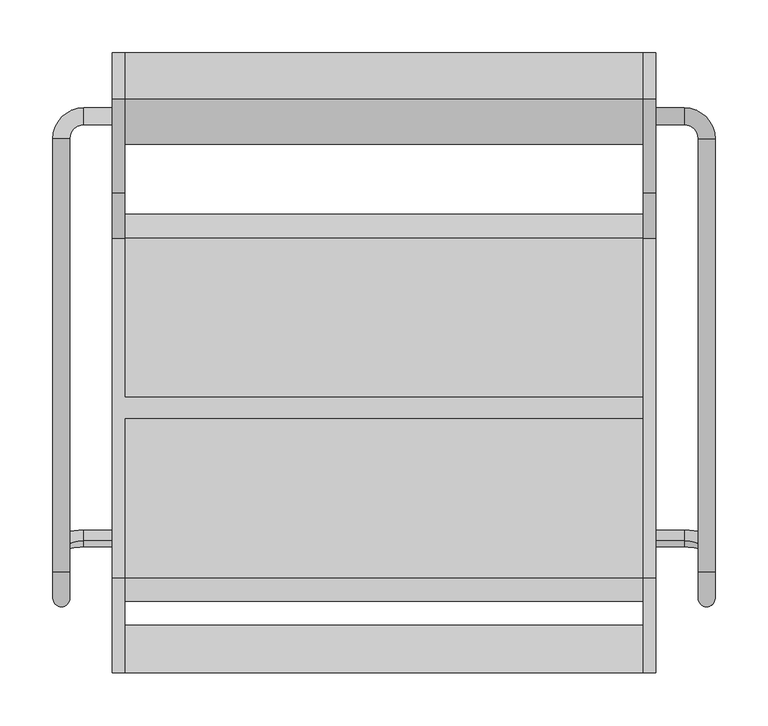
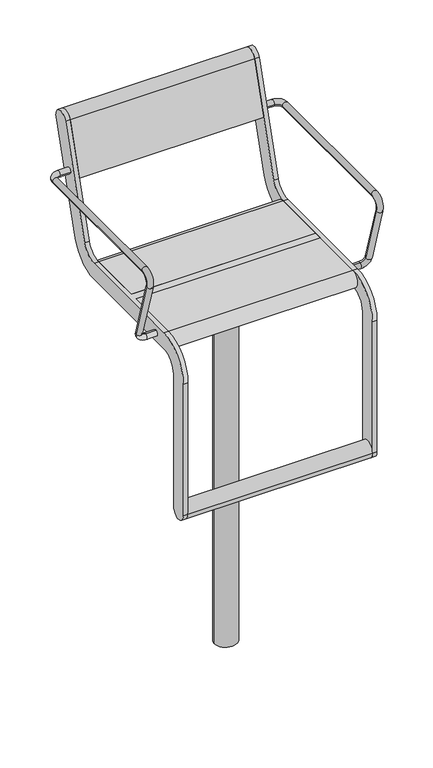
"""IFC4 building model written with IfcOpenShell, lengths in millimetres: furniture geometry."""

from ifc_helpers import new_model, si_unit, point, frame, frame_2d, origin, origin_2d, place, context, project, spatial, polyline, circle_curve, ellipse_curve, trimmed, segment, composite_curve, outline, extrude, source, transform, mapped, element, save
from ifc_brep_helpers import plane_surface, cylinder_surface, revolved_surface, advanced_brep


def furniture_77a88a3c(model_context):
    return source(origin(), model_context, "Body", "SolidModel", [
        advanced_brep(
        [(257.0, 267.0, 891.4999912), (257.0, 283.0, 891.4999912), (284.0, 267.0, 891.4999912), (284.0, 283.0, 891.4999912), (297.0, 254.0, 891.4999912), (313.0, 254.0, 891.4999912), (297.0, -155.6408049, 891.4999912), (313.0, -155.6408049, 891.4999912), (313.0, -179.5484238, 859.1906986), (297.0, -179.5484238, 859.1906986), (313.0, -130.1398058, 697.5823911), (297.0, -130.1398058, 697.5823911), (257.0, -126.3389736, 685.1504293), (257.0, -121.6610264, 669.8495532), (284.0, -121.6610264, 669.8495532), (284.0, -126.3389736, 685.1504293)],
        [
            (0, 1, circle_curve(frame((257.0, 275.0, 891.4999912), z_axis=(-1.0, 0.0, 0.0), x_axis=(0.0, 1.0, 0.0)), 8.0)),
            (1, 0, circle_curve(frame((257.0, 275.0, 891.4999912), z_axis=(-1.0, 0.0, 0.0), x_axis=(0.0, 1.0, 0.0)), 8.0)),
            (0, 2),
            (2, 3, circle_curve(frame((284.0, 275.0, 891.4999912), z_axis=(-1.0, 0.0, 0.0), x_axis=(0.0, 1.0, 0.0)), 8.0)),
            (3, 1),
            (3, 2, circle_curve(frame((284.0, 275.0, 891.4999912), z_axis=(-1.0, 0.0, 0.0), x_axis=(0.0, 1.0, 0.0)), 8.0)),
            (2, 4, circle_curve(frame((284.0, 254.0, 891.4999912), z_axis=(0.0, 0.0, -1.0), x_axis=(0.0, 1.0, 0.0)), 13.0)),
            (4, 5, circle_curve(frame((305.0, 254.0, 891.4999912), z_axis=(0.0, 1.0, 0.0), x_axis=(1.0, 0.0, 0.0)), 8.0)),
            (5, 3, circle_curve(frame((284.0, 254.0, 891.4999912), z_axis=(0.0, 0.0, 1.0), x_axis=(0.0, 1.0, 0.0)), 29.0)),
            (5, 4, circle_curve(frame((305.0, 254.0, 891.4999912), z_axis=(0.0, 1.0, 0.0), x_axis=(1.0, 0.0, 0.0)), 8.0)),
            (4, 6),
            (6, 7, circle_curve(frame((305.0, -155.6408049, 891.4999912), z_axis=(0.0, 1.0, 0.0), x_axis=(1.0, 0.0, 0.0)), 8.0)),
            (7, 5),
            (7, 6, circle_curve(frame((305.0, -155.6408049, 891.4999912), z_axis=(0.0, 1.0, 0.0), x_axis=(1.0, 0.0, 0.0)), 8.0)),
            (7, 8, circle_curve(frame((313.0, -155.6408049, 866.4999912), z_axis=(1.0, 0.0, 0.0), x_axis=(0.0, 0.0, 1.0)), 25.0)),
            (8, 9, circle_curve(frame((305.0, -179.5484238, 859.1906986), z_axis=(0.0, -0.2923717047227431, 0.9563047559630335), x_axis=(1.0, 0.0, 0.0)), 8.0)),
            (9, 6, circle_curve(frame((297.0, -155.6408049, 866.4999912), z_axis=(-1.0, 0.0, 0.0), x_axis=(0.0, 0.0, 1.0)), 25.0)),
            (9, 8, circle_curve(frame((305.0, -179.5484238, 859.1906986), z_axis=(0.0, -0.2923717047227435, 0.9563047559630334), x_axis=(1.0, 0.0, 0.0)), 8.0)),
            (8, 10),
            (10, 11, circle_curve(frame((305.0, -130.1398058, 697.5823911), z_axis=(0.0, -0.2923717047227379, 0.9563047559630351), x_axis=(1.0, 0.0, 0.0)), 8.0)),
            (11, 9),
            (11, 10, circle_curve(frame((305.0, -130.1398058, 697.5823911), z_axis=(0.0, -0.2923717047227379, 0.9563047559630351), x_axis=(1.0, 0.0, 0.0)), 8.0)),
            (12, 13, circle_curve(frame((257.0, -124.0, 677.4999912), z_axis=(-1.0, 0.0, 0.0), x_axis=(0.0, 0.2923717047227402, -0.9563047559630344)), 8.0)),
            (13, 12, circle_curve(frame((257.0, -124.0, 677.4999912), z_axis=(-1.0, 0.0, 0.0), x_axis=(0.0, 0.2923717047227402, -0.9563047559630344)), 8.0)),
            (13, 14),
            (14, 15, circle_curve(frame((284.0, -124.0, 677.4999912), z_axis=(-1.0, 0.0, 0.0), x_axis=(0.0, 0.2923717047227402, -0.9563047559630344)), 8.0)),
            (15, 12),
            (15, 14, circle_curve(frame((284.0, -124.0, 677.4999912), z_axis=(-1.0, 0.0, 0.0), x_axis=(0.0, 0.2923717047227402, -0.9563047559630344)), 8.0)),
            (14, 10, circle_curve(frame((284.0, -130.1398058, 697.5823911), z_axis=(0.0, -0.9563047559630344, -0.29237170472274027), x_axis=(0.0, 0.29237170472274027, -0.9563047559630344)), 29.0)),
            (11, 15, circle_curve(frame((284.0, -130.1398058, 697.5823911), z_axis=(0.0, 0.9563047559630344, 0.29237170472274027), x_axis=(0.0, 0.29237170472274027, -0.9563047559630344)), 13.0)),
        ],
        [
            plane_surface(frame((257.0, 275.0, -99.999782), z_axis=(-1.0, 0.0, 0.0), x_axis=(0.0, 0.0, 1.0))),
            cylinder_surface(frame((257.0, 275.0, 891.4999912), z_axis=(-1.0, 0.0, 0.0), x_axis=(0.0, 1.0, 0.0)), 8.0),
            revolved_surface(trimmed(ellipse_curve(frame((284.0, 275.0, 891.4999912), z_axis=(-1.0, 0.0, 0.0), x_axis=(0.0, 1.0, 0.0)), 8.0, 8.0), [point((284.0, 267.0, 891.4999912))], [point((284.0, 283.0, 891.4999912))], True, "CARTESIAN"), (284.0, 254.0, -99.999782), (0.0, 0.0, -1.0)),
            revolved_surface(trimmed(ellipse_curve(frame((284.0, 275.0, 891.4999912), z_axis=(-1.0, 0.0, 0.0), x_axis=(0.0, 1.0, 0.0)), 8.0, 8.0), [point((284.0, 283.0, 891.4999912))], [point((284.0, 267.0, 891.4999912))], True, "CARTESIAN"), (284.0, 254.0, -99.999782), (0.0, 0.0, -1.0)),
            cylinder_surface(frame((305.0, 254.0, 891.4999912), z_axis=(0.0, 1.0, 0.0), x_axis=(1.0, 0.0, 0.0)), 8.0),
            revolved_surface(trimmed(ellipse_curve(frame((305.0, -155.6408049, 891.4999912), z_axis=(0.0, 1.0, 0.0), x_axis=(1.0, 0.0, 0.0)), 8.0, 8.0), [point((313.0, -155.6408049, 891.4999912))], [point((297.0, -155.6408049, 891.4999912))], True, "CARTESIAN"), (0.0, -155.6408049, 866.4999912), (1.0, 0.0, 0.0)),
            revolved_surface(trimmed(ellipse_curve(frame((305.0, -155.6408049, 891.4999912), z_axis=(0.0, 1.0, 0.0), x_axis=(1.0, 0.0, 0.0)), 8.0, 8.0), [point((297.0, -155.6408049, 891.4999912))], [point((313.0, -155.6408049, 891.4999912))], True, "CARTESIAN"), (0.0, -155.6408049, 866.4999912), (1.0, 0.0, 0.0)),
            cylinder_surface(frame((305.0, -179.5484238, 859.1906986), z_axis=(0.0, -0.2923717047227379, 0.9563047559630351), x_axis=(1.0, 0.0, 0.0)), 8.0),
            plane_surface(frame((257.0, 489.469501, 865.0564398), z_axis=(-1.0, 0.0, 0.0), x_axis=(0.0, -0.9563047559630344, -0.29237170472274027))),
            cylinder_surface(frame((257.0, -124.0, 677.4999912), z_axis=(-1.0, 0.0, 0.0), x_axis=(0.0, 0.2923717047227402, -0.9563047559630344)), 8.0),
            revolved_surface(trimmed(ellipse_curve(frame((284.0, -124.0, 677.4999912), z_axis=(-1.0, 0.0, 0.0), x_axis=(0.0, 0.2923717047227402, -0.9563047559630344)), 8.0, 8.0), [point((284.0, -121.6610264, 669.8495532))], [point((284.0, -126.3389736, 685.1504293))], True, "CARTESIAN"), (284.0, 483.3296952, 885.1388397), (0.0, -0.9563047559630344, -0.29237170472274027)),
            revolved_surface(trimmed(ellipse_curve(frame((284.0, -124.0, 677.4999912), z_axis=(-1.0, 0.0, 0.0), x_axis=(0.0, 0.2923717047227402, -0.9563047559630344)), 8.0, 8.0), [point((284.0, -126.3389736, 685.1504293))], [point((284.0, -121.6610264, 669.8495532))], True, "CARTESIAN"), (284.0, 483.3296952, 885.1388397), (0.0, -0.9563047559630344, -0.29237170472274027)),
        ],
        [
            (0, [[1, 2]]),
            (1, [[-1, 3, 4, 5]]),
            (1, [[-2, -5, 6, -3]]),
            (2, [[-4, 7, 8, 9]]),
            (3, [[-6, -9, 10, -7]]),
            (4, [[11, 12, 13, -8]]),
            (4, [[-11, -10, -13, 14]]),
            (5, [[-14, 15, 16, 17]]),
            (6, [[-12, -17, 18, -15]]),
            (7, [[-16, 19, 20, 21]]),
            (7, [[-18, -21, 22, -19]]),
            (8, [[23, 24]]),
            (9, [[-24, 25, 26, 27]]),
            (9, [[-23, -27, 28, -25]]),
            (10, [[-26, 29, -22, 30]]),
            (11, [[-28, -30, -20, -29]]),
        ],
    ),
        extrude(outline(composite_curve([segment(trimmed(circle_curve(frame_2d((-228.4999475, 240.0002133)), 22.4999984), [point((-205.9999492, 240.0002133))], [point((-250.9999459, 240.0002133))], False, "CARTESIAN"), True, "CONTINUOUS"), segment(trimmed(circle_curve(frame_2d((-228.4999475, 240.0002133)), 22.4999984), [point((-250.9999459, 240.0002133))], [point((-205.9999492, 240.0002133))], False, "CARTESIAN"), True, "CONTINUOUS")], self_intersect=False)), frame((-245.0, 0.0, 0.0), z_axis=(1.0, 0.0, 0.0), x_axis=(0.0, 1.0, 0.0)), (0.0, 0.0, 1.0), 490.0),
        extrude(outline(composite_curve([segment(trimmed(circle_curve(frame_2d((312.5544541, 1013.1126327)), 22.5), [point((291.0375971, 1019.6909961))], [point((334.0713112, 1006.5342693))], False, "CARTESIAN"), True, "CONTINUOUS"), segment(polyline([(334.0713112, 1006.5342693), (246.067428, 718.6865378)]), True, "CONTINUOUS"), segment(trimmed(circle_curve(frame_2d((160.0, 744.9999912)), 90.0), [point((246.067428, 718.6865378))], [point((160.0, 654.9999912))], False, "CARTESIAN"), True, "CONTINUOUS"), segment(polyline([(160.0, 654.9999912), (-161.000007, 654.9999912)]), True, "CONTINUOUS"), segment(trimmed(circle_curve(frame_2d((-161.000007, 610.000049)), 44.9999422), [point((-161.000007, 654.9999912))], [point((-205.9999492, 610.000049))], True, "CARTESIAN"), True, "CONTINUOUS"), segment(polyline([(-205.9999492, 610.000049), (-205.9999492, 240.0002133)]), True, "CONTINUOUS"), segment(trimmed(circle_curve(frame_2d((-228.4999475, 240.0002133)), 22.4999984), [point((-205.9999492, 240.0002133))], [point((-250.9999459, 240.0002133))], False, "CARTESIAN"), True, "CONTINUOUS"), segment(polyline([(-250.9999459, 240.0002133), (-250.9999459, 610.0000453)]), True, "CONTINUOUS"), segment(trimmed(circle_curve(frame_2d((-161.0, 610.0000453)), 89.9999459), [point((-250.9999459, 610.0000453))], [point((-161.0, 699.9999912))], False, "CARTESIAN"), True, "CONTINUOUS"), segment(polyline([(-161.0, 699.9999912), (160.0, 699.9999912)]), True, "CONTINUOUS"), segment(trimmed(circle_curve(frame_2d((160.0, 744.9999912)), 45.0), [point((160.0, 699.9999912))], [point((203.033714, 731.8432645))], True, "CARTESIAN"), True, "CONTINUOUS"), segment(polyline([(203.033714, 731.8432645), (291.0375971, 1019.6909961)]), True, "CONTINUOUS")], self_intersect=False)), frame((245.0000214, 0.0, 0.0), z_axis=(1.0, 0.0, 0.0), x_axis=(0.0, 1.0, 0.0)), (0.0, 0.0, 1.0), 12.0),
        advanced_brep(
        [(-313.0, 254.0, 891.4999912), (-313.0, -155.6408049, 891.4999912), (-297.0, -155.6408049, 891.4999912), (-297.0, 254.0, 891.4999912), (-257.0, 267.0, 891.4999912), (-257.0, 283.0, 891.4999912), (-284.0, 283.0, 891.4999912), (-284.0, 267.0, 891.4999912), (-297.0, -179.5484238, 859.1906986), (-313.0, -179.5484238, 859.1906986), (-297.0, -130.1398058, 697.5823911), (-313.0, -130.1398058, 697.5823911), (-257.0, -126.3389736, 685.1504293), (-257.0, -121.6610264, 669.8495532), (-284.0, -126.3389736, 685.1504293), (-284.0, -121.6610264, 669.8495532)],
        [
            (0, 1),
            (1, 2, circle_curve(frame((-305.0, -155.6408049, 891.4999912), z_axis=(0.0, 1.0, 0.0), x_axis=(-1.0, 0.0, 0.0)), 8.0)),
            (2, 3),
            (3, 0, circle_curve(frame((-305.0, 254.0, 891.4999912), z_axis=(0.0, -1.0, 0.0), x_axis=(-1.0, 0.0, 0.0)), 8.0)),
            (0, 3, circle_curve(frame((-305.0, 254.0, 891.4999912), z_axis=(0.0, -1.0, 0.0), x_axis=(-1.0, 0.0, 0.0)), 8.0)),
            (2, 1, circle_curve(frame((-305.0, -155.6408049, 891.4999912), z_axis=(0.0, 1.0, 0.0), x_axis=(-1.0, 0.0, 0.0)), 8.0)),
            (4, 5, circle_curve(frame((-257.0, 275.0, 891.4999912), z_axis=(1.0, 0.0, 0.0), x_axis=(0.0, 1.0, 0.0)), 8.0)),
            (5, 4, circle_curve(frame((-257.0, 275.0, 891.4999912), z_axis=(1.0, 0.0, 0.0), x_axis=(0.0, 1.0, 0.0)), 8.0)),
            (5, 6),
            (6, 7, circle_curve(frame((-284.0, 275.0, 891.4999912), z_axis=(1.0, 0.0, 0.0), x_axis=(0.0, 1.0, 0.0)), 8.0)),
            (7, 4),
            (7, 6, circle_curve(frame((-284.0, 275.0, 891.4999912), z_axis=(1.0, 0.0, 0.0), x_axis=(0.0, 1.0, 0.0)), 8.0)),
            (6, 0, circle_curve(frame((-284.0, 254.0, 891.4999912), z_axis=(0.0, 0.0, 1.0), x_axis=(0.0, 1.0, 0.0)), 29.0)),
            (3, 7, circle_curve(frame((-284.0, 254.0, 891.4999912), z_axis=(0.0, 0.0, -1.0), x_axis=(0.0, 1.0, 0.0)), 13.0)),
            (2, 8, circle_curve(frame((-297.0, -155.6408049, 866.4999912), z_axis=(1.0, 0.0, 0.0), x_axis=(0.0, 0.0, 1.0)), 25.0)),
            (8, 9, circle_curve(frame((-305.0, -179.5484238, 859.1906986), z_axis=(0.0, -0.2923717047227431, 0.9563047559630335), x_axis=(-1.0, 0.0, 0.0)), 8.0)),
            (9, 1, circle_curve(frame((-313.0, -155.6408049, 866.4999912), z_axis=(-1.0, 0.0, 0.0), x_axis=(0.0, 0.0, 1.0)), 25.0)),
            (9, 8, circle_curve(frame((-305.0, -179.5484238, 859.1906986), z_axis=(0.0, -0.2923717047227431, 0.9563047559630335), x_axis=(-1.0, 0.0, 0.0)), 8.0)),
            (8, 10),
            (10, 11, circle_curve(frame((-305.0, -130.1398058, 697.5823911), z_axis=(0.0, -0.2923717047227379, 0.9563047559630351), x_axis=(-1.0, 0.0, 0.0)), 8.0)),
            (11, 9),
            (11, 10, circle_curve(frame((-305.0, -130.1398058, 697.5823911), z_axis=(0.0, -0.2923717047227379, 0.9563047559630351), x_axis=(-1.0, 0.0, 0.0)), 8.0)),
            (12, 13, circle_curve(frame((-257.0, -124.0, 677.4999912), z_axis=(1.0, 0.0, 0.0), x_axis=(0.0, 0.2923717047227402, -0.9563047559630344)), 8.0)),
            (13, 12, circle_curve(frame((-257.0, -124.0, 677.4999912), z_axis=(1.0, 0.0, 0.0), x_axis=(0.0, 0.2923717047227402, -0.9563047559630344)), 8.0)),
            (12, 14),
            (14, 15, circle_curve(frame((-284.0, -124.0, 677.4999912), z_axis=(1.0, 0.0, 0.0), x_axis=(0.0, 0.2923717047227402, -0.9563047559630344)), 8.0)),
            (15, 13),
            (15, 14, circle_curve(frame((-284.0, -124.0, 677.4999912), z_axis=(1.0, 0.0, 0.0), x_axis=(0.0, 0.2923717047227402, -0.9563047559630344)), 8.0)),
            (14, 10, circle_curve(frame((-284.0, -130.1398058, 697.5823911), z_axis=(0.0, 0.9563047559630344, 0.29237170472274027), x_axis=(0.0, 0.29237170472274027, -0.9563047559630344)), 13.0)),
            (11, 15, circle_curve(frame((-284.0, -130.1398058, 697.5823911), z_axis=(0.0, -0.9563047559630344, -0.29237170472274027), x_axis=(0.0, 0.29237170472274027, -0.9563047559630344)), 29.0)),
        ],
        [
            cylinder_surface(frame((-305.0, 254.0, 891.4999912), z_axis=(0.0, 1.0, 0.0), x_axis=(-1.0, 0.0, 0.0)), 8.0),
            plane_surface(frame((-257.0, 275.0, -99.999782), z_axis=(1.0, 0.0, 0.0), x_axis=(0.0, 0.0, 1.0))),
            cylinder_surface(frame((-257.0, 275.0, 891.4999912), z_axis=(1.0, 0.0, 0.0), x_axis=(0.0, 1.0, 0.0)), 8.0),
            revolved_surface(trimmed(ellipse_curve(frame((-284.0, 275.0, 891.4999912), z_axis=(1.0, 0.0, 0.0), x_axis=(0.0, 1.0, 0.0)), 8.0, 8.0), [point((-284.0, 283.0, 891.4999912))], [point((-284.0, 267.0, 891.4999912))], True, "CARTESIAN"), (-284.0, 254.0, -99.999782), (0.0, 0.0, 1.0)),
            revolved_surface(trimmed(ellipse_curve(frame((-284.0, 275.0, 891.4999912), z_axis=(1.0, 0.0, 0.0), x_axis=(0.0, 1.0, 0.0)), 8.0, 8.0), [point((-284.0, 267.0, 891.4999912))], [point((-284.0, 283.0, 891.4999912))], True, "CARTESIAN"), (-284.0, 254.0, -99.999782), (0.0, 0.0, 1.0)),
            revolved_surface(trimmed(ellipse_curve(frame((-305.0, -155.6408049, 891.4999912), z_axis=(0.0, 1.0, 0.0), x_axis=(-1.0, 0.0, 0.0)), 8.0, 8.0), [point((-297.0, -155.6408049, 891.4999912))], [point((-313.0, -155.6408049, 891.4999912))], True, "CARTESIAN"), (0.0, -155.6408049, 866.4999912), (1.0, 0.0, 0.0)),
            revolved_surface(trimmed(ellipse_curve(frame((-305.0, -155.6408049, 891.4999912), z_axis=(0.0, 1.0, 0.0), x_axis=(-1.0, 0.0, 0.0)), 8.0, 8.0), [point((-313.0, -155.6408049, 891.4999912))], [point((-297.0, -155.6408049, 891.4999912))], True, "CARTESIAN"), (0.0, -155.6408049, 866.4999912), (1.0, 0.0, 0.0)),
            cylinder_surface(frame((-305.0, -179.5484238, 859.1906986), z_axis=(0.0, -0.2923717047227379, 0.9563047559630351), x_axis=(-1.0, 0.0, 0.0)), 8.0),
            plane_surface(frame((-257.0, 489.469501, 865.0564398), z_axis=(1.0, 0.0, 0.0), x_axis=(0.0, -0.9563047559630344, -0.29237170472274027))),
            cylinder_surface(frame((-257.0, -124.0, 677.4999912), z_axis=(1.0, 0.0, 0.0), x_axis=(0.0, 0.2923717047227402, -0.9563047559630344)), 8.0),
            revolved_surface(trimmed(ellipse_curve(frame((-284.0, -124.0, 677.4999912), z_axis=(1.0, 0.0, 0.0), x_axis=(0.0, 0.2923717047227402, -0.9563047559630344)), 8.0, 8.0), [point((-284.0, -126.3389736, 685.1504293))], [point((-284.0, -121.6610264, 669.8495532))], True, "CARTESIAN"), (-284.0, 483.3296952, 885.1388397), (0.0, 0.9563047559630344, 0.29237170472274027)),
            revolved_surface(trimmed(ellipse_curve(frame((-284.0, -124.0, 677.4999912), z_axis=(1.0, 0.0, 0.0), x_axis=(0.0, 0.2923717047227402, -0.9563047559630344)), 8.0, 8.0), [point((-284.0, -121.6610264, 669.8495532))], [point((-284.0, -126.3389736, 685.1504293))], True, "CARTESIAN"), (-284.0, 483.3296952, 885.1388397), (0.0, 0.9563047559630344, 0.29237170472274027)),
        ],
        [
            (0, [[1, 2, 3, 4]]),
            (0, [[-1, 5, -3, 6]]),
            (1, [[7, 8]]),
            (2, [[-8, 9, 10, 11]]),
            (2, [[-7, -11, 12, -9]]),
            (3, [[-10, 13, -4, 14]]),
            (4, [[-12, -14, -5, -13]]),
            (5, [[-6, 15, 16, 17]]),
            (6, [[-2, -17, 18, -15]]),
            (7, [[-16, 19, 20, 21]]),
            (7, [[-18, -21, 22, -19]]),
            (8, [[23, 24]]),
            (9, [[-23, 25, 26, 27]]),
            (9, [[-24, -27, 28, -25]]),
            (10, [[-26, 29, -22, 30]]),
            (11, [[-28, -30, -20, -29]]),
        ],
    ),
        advanced_brep(
        [(-245.0, 291.0375971, 1019.6909961), (-245.0, 203.033714, 731.8432645), (-245.0, 160.0, 699.9999912), (-245.0, 9.5, 699.9999912), (-245.0, 9.5, 654.9999912), (-245.0, 160.0, 654.9999912), (-245.0, 246.067428, 718.6865378), (-245.0, 334.0713112, 1006.5342693), (-245.0, -161.0, 699.9999912), (-245.0, -250.9999459, 610.0000453), (-245.0, -250.9999459, 240.0002133), (-245.0, -205.9999492, 240.0002133), (-245.0, -205.9999492, 610.000049), (-245.0, -161.000007, 654.9999912), (-245.0, -10.5, 654.9999912), (-245.0, -10.5, 699.9999912), (-257.0, 291.0375971, 1019.6909961), (-257.0, 334.0713112, 1006.5342693), (-257.0, 246.067428, 718.6865378), (-257.0, 160.0, 654.9999912), (-257.0, -161.000007, 654.9999912), (-257.0, -205.9999492, 610.000049), (-257.0, -205.9999492, 240.0002133), (-257.0, -250.9999459, 240.0002133), (-257.0, -250.9999459, 610.0000453), (-257.0, -161.0, 699.9999912), (-257.0, 160.0, 699.9999912), (-257.0, 203.033714, 731.8432645), (245.0, -10.5, 699.9999912), (245.0, 9.5, 699.9999912), (245.0, 9.5, 654.9999912), (245.0, -10.5, 654.9999912)],
        [
            (0, 1),
            (1, 2, circle_curve(frame((-245.0, 160.0, 744.9999912), z_axis=(-1.0, 0.0, 0.0), x_axis=(0.0, -1.0, 0.0)), 45.0)),
            (2, 3),
            (3, 4),
            (4, 5),
            (5, 6, circle_curve(frame((-245.0, 160.0, 744.9999912), z_axis=(1.0, 0.0, 0.0), x_axis=(0.0, -1.0, 0.0)), 90.0)),
            (6, 7),
            (7, 0, circle_curve(frame((-245.0, 312.5544541, 1013.1126327), z_axis=(1.0, 0.0, 0.0), x_axis=(0.0, -1.0, 0.0)), 22.5)),
            (8, 9, circle_curve(frame((-245.0, -161.0, 610.0000453), z_axis=(1.0, 0.0, 0.0), x_axis=(0.0, -1.0, 0.0)), 89.9999459)),
            (9, 10),
            (10, 11, circle_curve(frame((-245.0, -228.4999475, 240.0002133), z_axis=(1.0, 0.0, 0.0), x_axis=(0.0, -1.0, 0.0)), 22.4999984)),
            (11, 12),
            (12, 13, circle_curve(frame((-245.0, -161.000007, 610.000049), z_axis=(-1.0, 0.0, 0.0), x_axis=(0.0, -1.0, 0.0)), 44.9999422)),
            (13, 14),
            (14, 15),
            (15, 8),
            (16, 17, circle_curve(frame((-257.0, 312.5544541, 1013.1126327), z_axis=(-1.0, 0.0, 0.0), x_axis=(0.0, -1.0, 0.0)), 22.5)),
            (17, 18),
            (18, 19, circle_curve(frame((-257.0, 160.0, 744.9999912), z_axis=(-1.0, 0.0, 0.0), x_axis=(0.0, -1.0, 0.0)), 90.0)),
            (19, 20),
            (20, 21, circle_curve(frame((-257.0, -161.000007, 610.000049), z_axis=(1.0, 0.0, 0.0), x_axis=(0.0, -1.0, 0.0)), 44.9999422)),
            (21, 22),
            (22, 23, circle_curve(frame((-257.0, -228.4999475, 240.0002133), z_axis=(-1.0, 0.0, 0.0), x_axis=(0.0, -1.0, 0.0)), 22.4999984)),
            (23, 24),
            (24, 25, circle_curve(frame((-257.0, -161.0, 610.0000453), z_axis=(-1.0, 0.0, 0.0), x_axis=(0.0, -1.0, 0.0)), 89.9999459)),
            (25, 26),
            (26, 27, circle_curve(frame((-257.0, 160.0, 744.9999912), z_axis=(1.0, 0.0, 0.0), x_axis=(0.0, -1.0, 0.0)), 45.0)),
            (27, 16),
            (0, 16),
            (27, 1),
            (26, 2),
            (25, 8),
            (15, 28),
            (28, 29),
            (29, 3),
            (19, 5),
            (4, 30),
            (30, 31),
            (31, 14),
            (13, 20),
            (18, 6),
            (17, 7),
            (28, 31),
            (30, 29),
            (24, 9),
            (23, 10),
            (22, 11),
            (21, 12),
        ],
        [
            plane_surface(frame((-245.0, 203.033714, 731.8432645), z_axis=(1.0, 0.0, 0.0), x_axis=(0.0, -0.2923717047227337, -0.9563047559630364))),
            plane_surface(frame((-257.0, 203.033714, 731.8432645), z_axis=(-1.0, 0.0, 0.0), x_axis=(0.0, 0.2923717047227337, 0.9563047559630364))),
            plane_surface(frame((-245.0, 291.0375971, 1019.6909961), z_axis=(0.0, -0.9563047559630364, 0.2923717047227337), x_axis=(-1.0, 0.0, 0.0))),
            revolved_surface(polyline([(-257.0, 115.0, 744.9999912), (-245.0, 115.0, 744.9999912)]), (-257.0, 160.0, 744.9999912), (-1.0, 0.0, 0.0)),
            plane_surface(frame((-245.0, 160.0, 699.9999912), z_axis=(0.0, 0.0, 1.0), x_axis=(-1.0, 0.0, 0.0))),
            plane_surface(frame((-245.0, -161.000007, 654.9999912), z_axis=(0.0, 0.0, -1.0), x_axis=(-1.0, 0.0, 0.0))),
            cylinder_surface(frame((-257.0, 160.0, 744.9999912), z_axis=(1.0, 0.0, 0.0), x_axis=(0.0, -1.0, 0.0)), 90.0),
            plane_surface(frame((-245.0, 246.067428, 718.6865378), z_axis=(0.0, 0.9563047559630364, -0.2923717047227337), x_axis=(-1.0, 0.0, 0.0))),
            cylinder_surface(frame((-257.0, 312.5544541, 1013.1126327), z_axis=(1.0, 0.0, 0.0), x_axis=(0.0, -1.0, 0.0)), 22.5),
            plane_surface(frame((245.0, -10.5, 699.9999912), z_axis=(1.0, 0.0, 0.0), x_axis=(0.0, -1.0, 0.0))),
            plane_surface(frame((245.0, -10.5, 699.9999912), z_axis=(0.0, -1.0, 0.0), x_axis=(-1.0, 0.0, 0.0))),
            plane_surface(frame((245.0, 9.5, 654.9999912), z_axis=(0.0, 1.0, 0.0), x_axis=(-1.0, 0.0, 0.0))),
            cylinder_surface(frame((-257.0, -161.0, 610.0000453), z_axis=(1.0, 0.0, 0.0), x_axis=(0.0, -1.0, 0.0)), 89.9999459),
            plane_surface(frame((-245.0, -250.9999459, 610.0000453), z_axis=(0.0, -1.0, 0.0), x_axis=(-1.0, 0.0, 0.0))),
            cylinder_surface(frame((-257.0, -228.4999475, 240.0002133), z_axis=(1.0, 0.0, 0.0), x_axis=(0.0, -1.0, 0.0)), 22.4999984),
            plane_surface(frame((-245.0, -205.9999492, 240.0002133), z_axis=(0.0, 1.0, 0.0), x_axis=(-1.0, 0.0, 0.0))),
            revolved_surface(polyline([(-257.0, -205.9999492, 610.000049), (-245.0, -205.9999492, 610.000049)]), (-257.0, -161.000007, 610.000049), (-1.0, 0.0, 0.0)),
        ],
        [
            (0, [[1, 2, 3, 4, 5, 6, 7, 8]]),
            (0, [[9, 10, 11, 12, 13, 14, 15, 16]]),
            (1, [[17, 18, 19, 20, 21, 22, 23, 24, 25, 26, 27, 28]]),
            (2, [[-1, 29, -28, 30]]),
            (3, [[-2, -30, -27, 31]]),
            (4, [[-26, 32, -16, 33, 34, 35, -3, -31]]),
            (5, [[-20, 36, -5, 37, 38, 39, -14, 40]]),
            (6, [[-6, -36, -19, 41]]),
            (7, [[-7, -41, -18, 42]]),
            (8, [[-8, -42, -17, -29]]),
            (9, [[-34, 43, -38, 44]]),
            (10, [[-43, -33, -15, -39]]),
            (11, [[-44, -37, -4, -35]]),
            (12, [[-9, -32, -25, 45]]),
            (13, [[-10, -45, -24, 46]]),
            (14, [[-11, -46, -23, 47]]),
            (15, [[-12, -47, -22, 48]]),
            (16, [[-13, -48, -21, -40]]),
        ],
    ),
        extrude(outline(composite_curve([segment(trimmed(circle_curve(frame_2d((312.5544541, 1013.1126327)), 22.5), [point((291.0375971, 1019.6909961))], [point((334.0713112, 1006.5342693))], False, "CARTESIAN"), True, "CONTINUOUS"), segment(polyline([(334.0713112, 1006.5342693), (291.5312281, 867.3919274), (248.4975141, 880.5486541), (291.0375971, 1019.6909961)]), True, "CONTINUOUS")], self_intersect=False)), frame((-245.0, 0.0, 0.0), z_axis=(1.0, 0.0, 0.0), x_axis=(0.0, 1.0, 0.0)), (0.0, 0.0, 1.0), 490.0),
        extrude(outline(composite_curve([segment(polyline([(9.5, 654.9999912), (9.5, 699.9999912), (160.0, 699.9999912)]), True, "CONTINUOUS"), segment(trimmed(circle_curve(frame_2d((160.0, 677.4999912)), 22.5), [point((160.0, 699.9999912))], [point((160.0, 654.9999912))], False, "CARTESIAN"), True, "CONTINUOUS"), segment(polyline([(160.0, 654.9999912), (9.5, 654.9999912)]), True, "CONTINUOUS")], self_intersect=False)), frame((-245.0, 0.0, 0.0), z_axis=(1.0, 0.0, 0.0), x_axis=(0.0, 1.0, 0.0)), (0.0, 0.0, 1.0), 490.0),
        extrude(outline(composite_curve([segment(polyline([(-10.5, 654.9999912), (-161.0, 654.9999912)]), True, "CONTINUOUS"), segment(trimmed(circle_curve(frame_2d((-161.0, 677.4999912)), 22.5), [point((-161.0, 654.9999912))], [point((-161.0, 699.9999912))], False, "CARTESIAN"), True, "CONTINUOUS"), segment(polyline([(-161.0, 699.9999912), (-10.5, 699.9999912), (-10.5, 654.9999912)]), True, "CONTINUOUS")], self_intersect=False)), frame((-245.0, 0.0, 0.0), z_axis=(1.0, 0.0, 0.0), x_axis=(0.0, 1.0, 0.0)), (0.0, 0.0, 1.0), 490.0),
        extrude(outline(composite_curve([segment(trimmed(circle_curve(origin_2d(), 40.0), [point((-40.0, 0.0))], [point((40.0, 0.0))], False, "CARTESIAN"), True, "CONTINUOUS"), segment(trimmed(circle_curve(origin_2d(), 40.0), [point((40.0, 0.0))], [point((-40.0, 0.0))], False, "CARTESIAN"), True, "CONTINUOUS")], self_intersect=False)), frame((0.0, 0.0, 578.999979), z_axis=(0.0, 0.0, 1.0), x_axis=(1.0, 0.0, 0.0)), (0.0, 0.0, 1.0), 60.0000441),
        extrude(outline(polyline([(75.0, 125.0), (75.0, -125.0), (-75.0, -125.0), (-75.0, 125.0), (75.0, 125.0)])), frame((0.0, 0.0, 639.0000231), z_axis=(0.0, 0.0, 1.0), x_axis=(1.0, 0.0, 0.0)), (0.0, 0.0, 1.0), 15.9999681),
        extrude(outline(composite_curve([segment(trimmed(circle_curve(origin_2d(), 30.0), [point((-30.0, 0.0))], [point((30.0, 0.0))], False, "CARTESIAN"), True, "CONTINUOUS"), segment(trimmed(circle_curve(origin_2d(), 30.0), [point((30.0, 0.0))], [point((-30.0, 0.0))], False, "CARTESIAN"), True, "CONTINUOUS")], self_intersect=False)), frame((0.0, 0.0, -350.0), z_axis=(0.0, 0.0, 1.0), x_axis=(1.0, 0.0, 0.0)), (0.0, 0.0, 1.0), 928.999979),
    ])


if __name__ == "__main__":
    model = new_model("IFC4")
    model_context = context("Model", 3, world=origin())
    ifc_project = project(units=[si_unit("LENGTHUNIT", "METRE", prefix="MILLI")], contexts=[model_context])
    site = spatial("IfcSite", under=ifc_project)
    building = spatial("IfcBuilding", under=site)
    placement = place(None, origin())
    furniture_shape = furniture_77a88a3c(model_context)
    element("IfcFurniture", 1, at=placement, inside=building, context=model_context, shape_type="MappedRepresentation", body=[
        mapped(furniture_shape, transform((0.0, 0.0, 0.0), x_axis=(1.0, 0.0, 0.0), y_axis=(0.0, 1.0, 0.0), z_axis=(0.0, 0.0, 1.0))),
    ])
    save(model, "model.ifc")
